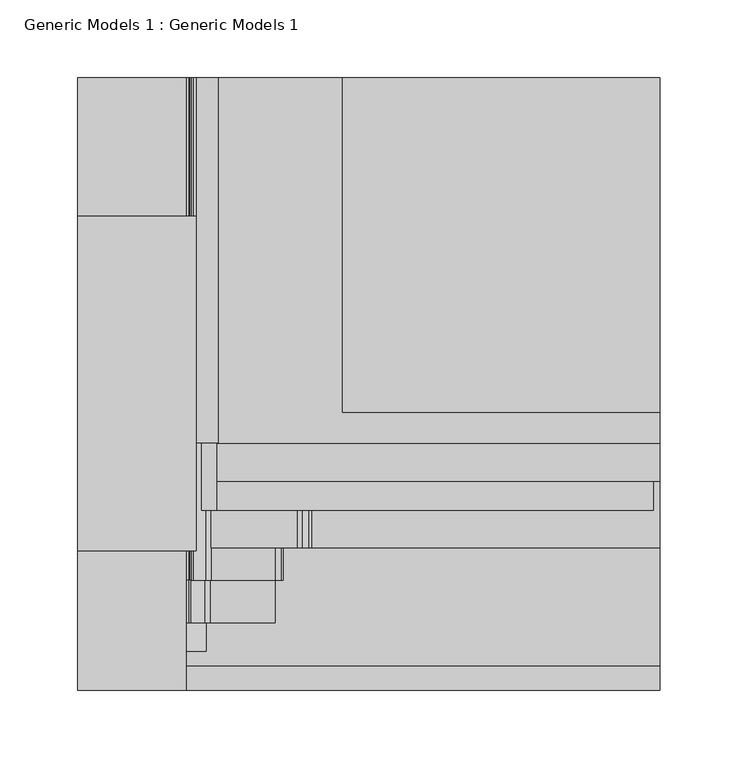
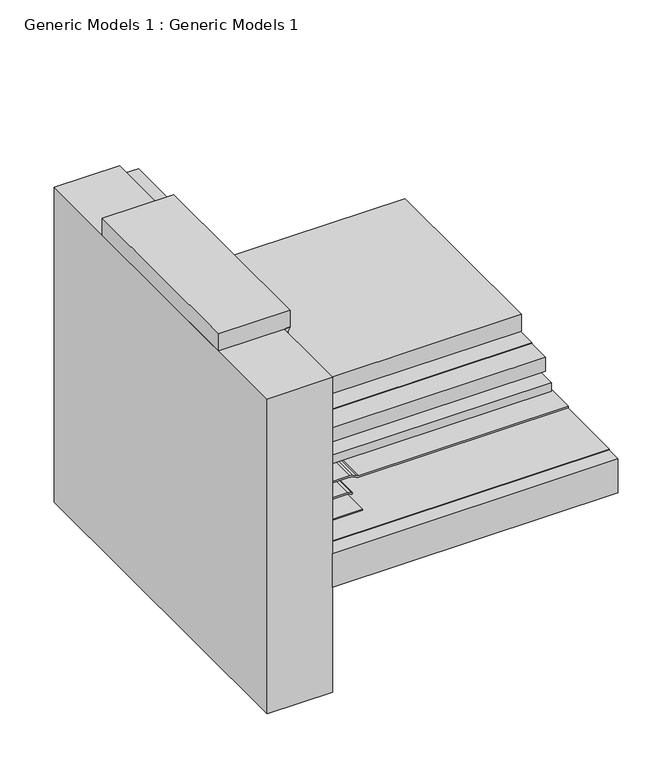
"""IFC4 building model written with IfcOpenShell, lengths in millimetres: proxy geometry, Generic Models 1 : Generic Models 1."""

from ifc_helpers import new_model, si_unit, point, frame, frame_2d, origin, place, context, project, spatial, polyline, circle_curve, trimmed, segment, composite_curve, outline, extrude, source, transform, mapped, element, save


def generic_models_1_generic_models_1_a0c0a99f(model_context):
    return source(origin(), model_context, "Body", "SweptSolid", [
        extrude(outline(polyline([(386.9373414, 84.1375), (379.0112103, 84.1375), (386.9373414, 88.9), (386.9373414, 84.1375)])), frame((0.0, 89.6459502, 0.0), z_axis=(0.0, 1.0, 0.0), x_axis=(0.0, 0.0, 1.0)), (0.0, 0.0, 1.0), 215.1540498),
        extrude(outline(polyline([(12.7, 304.8), (88.9, 304.8), (88.9, 89.6459502), (12.7, 89.6459502), (12.7, 304.8)])), frame((0.0, 0.0, 386.9373414), z_axis=(0.0, 0.0, 1.0), x_axis=(1.0, 0.0, 0.0)), (0.0, 0.0, 1.0), 19.05),
        extrude(outline(polyline([(376.3479468, 102.9034452), (376.3479468, 89.2387291), (345.2019172, 89.2387291), (345.2019172, 90.0324791), (375.5541968, 90.0324791), (375.5541968, 102.1096952), (223.04375, 102.1096952), (223.04375, 102.9034452), (376.3479468, 102.9034452)])), frame((0.0, 158.9737037, 0.0), z_axis=(0.0, 1.0, 0.0), x_axis=(0.0, 0.0, 1.0)), (0.0, 0.0, 1.0), 234.8732352),
        extrude(outline(polyline([(102.1096952, 393.8469389), (387.35, 393.8469389), (387.35, 158.9737037), (102.1096952, 158.9737037), (102.1096952, 393.8469389)])), frame((0.0, 0.0, 222.25), z_axis=(0.0, 0.0, 1.0), x_axis=(1.0, 0.0, 0.0)), (0.0, 0.0, 1.0), 0.79375),
        extrude(outline(polyline([(92.5846952, 393.8469389), (102.1096952, 393.8469389), (102.1096952, 115.763559), (92.5846952, 115.763559), (92.5846952, 393.8469389)])), frame((0.0, 0.0, 205.58125), z_axis=(0.0, 0.0, 1.0), x_axis=(1.0, 0.0, 0.0)), (0.0, 0.0, 1.0), 169.9729468),
        extrude(outline(polyline([(183.0323569, 393.8469389), (387.35, 393.8469389), (387.35, 178.7737019), (183.0323569, 178.7737019), (183.0323569, 393.8469389)])), frame((0.0, 0.0, 224.0359375), z_axis=(0.0, 0.0, 1.0), x_axis=(1.0, 0.0, 0.0)), (0.0, 0.0, 1.0), 19.05),
        extrude(outline(polyline([(102.1096952, 393.8469389), (387.35, 393.8469389), (387.35, 134.5156641), (102.1096952, 134.5156641), (102.1096952, 393.8469389)])), frame((0.0, 0.0, 205.58125), z_axis=(0.0, 0.0, 1.0), x_axis=(1.0, 0.0, 0.0)), (0.0, 0.0, 1.0), 15.875),
        extrude(outline(polyline([(94.1721952, 393.8469389), (382.984375, 393.8469389), (382.984375, 115.763559), (94.1721952, 115.763559), (94.1721952, 393.8469389)])), frame((0.0, 0.0, 196.05625), z_axis=(0.0, 0.0, 1.0), x_axis=(1.0, 0.0, 0.0)), (0.0, 0.0, 1.0), 9.525),
        extrude(outline(polyline([(82.55, 261.3017557), (387.35, 261.3017557), (387.35, 0.0), (82.55, 0.0), (82.55, 261.3017557)])), frame((0.0, 0.0, 150.01875), z_axis=(0.0, 0.0, 1.0), x_axis=(1.0, 0.0, 0.0)), (0.0, 0.0, 1.0), 38.1),
        extrude(outline(polyline([(82.55, 393.8469389), (387.35, 393.8469389), (387.35, 15.5979464), (82.55, 15.5979464), (82.55, 393.8469389)])), frame((0.0, 0.0, 188.9125), z_axis=(0.0, 0.0, 1.0), x_axis=(1.0, 0.0, 0.0)), (0.0, 0.0, 1.0), 0.79375),
        extrude(outline(composite_curve([segment(trimmed(circle_curve(frame_2d((187.325, 153.7084294)), 6.35), [point((193.675, 153.7084294))], [point((193.0800544, 156.3920554))], True, "CARTESIAN"), True, "CONTINUOUS"), segment(polyline([(193.0800544, 156.3920554), (191.0949456, 160.6491351)]), True, "CONTINUOUS"), segment(trimmed(circle_curve(frame_2d((196.85, 163.3327611)), 6.35), [point((191.0949456, 160.6491351))], [point((190.5, 163.3327611))], False, "CARTESIAN"), True, "CONTINUOUS"), segment(polyline([(190.5, 163.3327611), (190.5, 387.35), (192.0875, 387.35), (192.0875, 163.3327611)]), True, "CONTINUOUS"), segment(trimmed(circle_curve(frame_2d((196.85, 163.3327611)), 4.7625), [point((192.0875, 163.3327611))], [point((192.5337092, 161.3200416))], True, "CARTESIAN"), True, "CONTINUOUS"), segment(polyline([(192.5337092, 161.3200416), (194.5188181, 157.0629619)]), True, "CONTINUOUS"), segment(trimmed(circle_curve(frame_2d((187.325, 153.7084294)), 7.9375), [point((194.5188181, 157.0629619))], [point((195.2625, 153.7084294))], False, "CARTESIAN"), True, "CONTINUOUS"), segment(polyline([(195.2625, 153.7084294), (195.2625, 98.5378202), (193.675, 98.5378202), (193.675, 153.7084294)]), True, "CONTINUOUS")], self_intersect=False)), frame((0.0, 91.6841805, 0.0), z_axis=(0.0, 1.0, 0.0), x_axis=(0.0, 0.0, 1.0)), (0.0, 0.0, 1.0), 302.1627585),
        extrude(outline(composite_curve([segment(trimmed(circle_curve(frame_2d((236.8806049, 88.9)), 6.35), [point((236.8806049, 82.55))], [point((233.8064244, 83.34375))], False, "CARTESIAN"), True, "CONTINUOUS"), segment(trimmed(circle_curve(frame_2d((230.7322439, 77.7875)), 6.35), [point((233.8064244, 83.34375))], [point((230.7322439, 84.1375))], True, "CARTESIAN"), True, "CONTINUOUS"), segment(polyline([(230.7322439, 84.1375), (206.4878202, 84.1375)]), True, "CONTINUOUS"), segment(trimmed(circle_curve(frame_2d((206.4878202, 90.4875)), 6.35), [point((206.4878202, 84.1375))], [point((201.9976921, 85.9973719))], False, "CARTESIAN"), True, "CONTINUOUS"), segment(polyline([(201.9976921, 85.9973719), (193.9473719, 94.0476921)]), True, "CONTINUOUS"), segment(trimmed(circle_curve(frame_2d((198.4375, 98.5378202)), 6.35), [point((193.9473719, 94.0476921))], [point((192.0875, 98.5378202))], False, "CARTESIAN"), True, "CONTINUOUS"), segment(polyline([(192.0875, 98.5378202), (192.0875, 139.6852414)]), True, "CONTINUOUS"), segment(trimmed(circle_curve(frame_2d((185.7375, 139.6852414)), 6.35), [point((192.0875, 139.6852414))], [point((191.2367613, 142.8602414))], True, "CARTESIAN"), True, "CONTINUOUS"), segment(polyline([(191.2367613, 142.8602414), (190.5, 144.1363494), (191.8748153, 144.9300994), (192.6115766, 143.6539914)]), True, "CONTINUOUS"), segment(trimmed(circle_curve(frame_2d((185.7375, 139.6852414)), 7.9375), [point((192.6115766, 143.6539914))], [point((193.675, 139.6852414))], False, "CARTESIAN"), True, "CONTINUOUS"), segment(polyline([(193.675, 139.6852414), (193.675, 98.5378202)]), True, "CONTINUOUS"), segment(trimmed(circle_curve(frame_2d((198.4375, 98.5378202)), 4.7625), [point((193.675, 98.5378202))], [point((195.069904, 95.1702241))], True, "CARTESIAN"), True, "CONTINUOUS"), segment(polyline([(195.069904, 95.1702241), (203.1202241, 87.119904)]), True, "CONTINUOUS"), segment(trimmed(circle_curve(frame_2d((206.4878202, 90.4875)), 4.7625), [point((203.1202241, 87.119904))], [point((206.4878202, 85.725))], True, "CARTESIAN"), True, "CONTINUOUS"), segment(polyline([(206.4878202, 85.725), (230.7322439, 85.725)]), True, "CONTINUOUS"), segment(trimmed(circle_curve(frame_2d((230.7322439, 77.7875)), 7.9375), [point((230.7322439, 85.725))], [point((234.5749695, 84.7328125))], False, "CARTESIAN"), True, "CONTINUOUS"), segment(trimmed(circle_curve(frame_2d((236.8806049, 88.9)), 4.7625), [point((234.5749695, 84.7328125))], [point((236.8806049, 84.1375))], True, "CARTESIAN"), True, "CONTINUOUS"), segment(polyline([(236.8806049, 84.1375), (383.38125, 84.1375), (383.38125, 82.55), (236.8806049, 82.55)]), True, "CONTINUOUS")], self_intersect=False)), frame((0.0, 70.8716657, 0.0), z_axis=(0.0, 1.0, 0.0), x_axis=(0.0, 0.0, 1.0)), (0.0, 0.0, 1.0), 322.9752733),
        extrude(outline(composite_curve([segment(trimmed(circle_curve(frame_2d((205.8302561, 88.9)), 6.35), [point((205.8302561, 82.55))], [point((201.3401281, 84.4098719))], False, "CARTESIAN"), True, "CONTINUOUS"), segment(polyline([(201.3401281, 84.4098719), (192.3598719, 93.3901281)]), True, "CONTINUOUS"), segment(trimmed(circle_curve(frame_2d((196.85, 97.8802561)), 6.35), [point((192.3598719, 93.3901281))], [point((190.5, 97.8802561))], False, "CARTESIAN"), True, "CONTINUOUS"), segment(polyline([(190.5, 97.8802561), (190.5, 139.7), (192.0875, 139.7), (192.0875, 97.8802561)]), True, "CONTINUOUS"), segment(trimmed(circle_curve(frame_2d((196.85, 97.8802561)), 4.7625), [point((192.0875, 97.8802561))], [point((193.482404, 94.5126601))], True, "CARTESIAN"), True, "CONTINUOUS"), segment(polyline([(193.482404, 94.5126601), (202.4626601, 85.532404)]), True, "CONTINUOUS"), segment(trimmed(circle_curve(frame_2d((205.8302561, 88.9)), 4.7625), [point((202.4626601, 85.532404))], [point((205.8302561, 84.1375))], True, "CARTESIAN"), True, "CONTINUOUS"), segment(polyline([(205.8302561, 84.1375), (228.6, 84.1375), (228.6, 82.55), (205.8302561, 82.55)]), True, "CONTINUOUS")], self_intersect=False)), frame((0.0, 43.3354428, 0.0), z_axis=(0.0, 1.0, 0.0), x_axis=(0.0, 0.0, 1.0)), (0.0, 0.0, 1.0), 350.5114961),
        extrude(outline(polyline([(203.2, 82.55), (190.5, 82.55), (190.5, 95.25), (203.2, 82.55)])), frame((0.0, 24.9351541, 0.0), z_axis=(0.0, 1.0, 0.0), x_axis=(0.0, 0.0, 1.0)), (0.0, 0.0, 1.0), 368.9117848),
        extrude(outline(polyline([(82.55, 0.0), (12.7, 0.0), (12.7, 393.8469389), (82.55, 393.8469389), (82.55, 0.0)])), frame((0.0, 0.0, 31.75), z_axis=(0.0, 0.0, 1.0), x_axis=(1.0, 0.0, 0.0)), (0.0, 0.0, 1.0), 355.1873414),
    ])


if __name__ == "__main__":
    model = new_model("IFC4")
    model_context = context("Model", 3, world=origin())
    ifc_project = project(units=[si_unit("LENGTHUNIT", "METRE", prefix="MILLI")], contexts=[model_context])
    site = spatial("IfcSite", under=ifc_project)
    building = spatial("IfcBuilding", under=site)
    placement = place(None, origin())
    generic_models_1_generic_models_1_shape = generic_models_1_generic_models_1_a0c0a99f(model_context)
    element("IfcBuildingElementProxy", 1, Name="Generic Models 1 : Generic Models 1", ObjectType="Generic Models 1 : Generic Models 1", at=placement, inside=building, context=model_context, shape_type="MappedRepresentation", body=[
        mapped(generic_models_1_generic_models_1_shape, transform((0.0, 0.0, 0.0), x_axis=(1.0, 0.0, 0.0), y_axis=(0.0, 1.0, 0.0), z_axis=(0.0, 0.0, 1.0))),
    ])
    save(model, "model.ifc")
